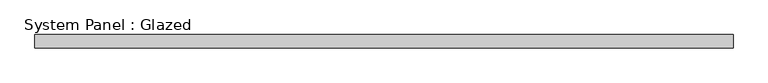
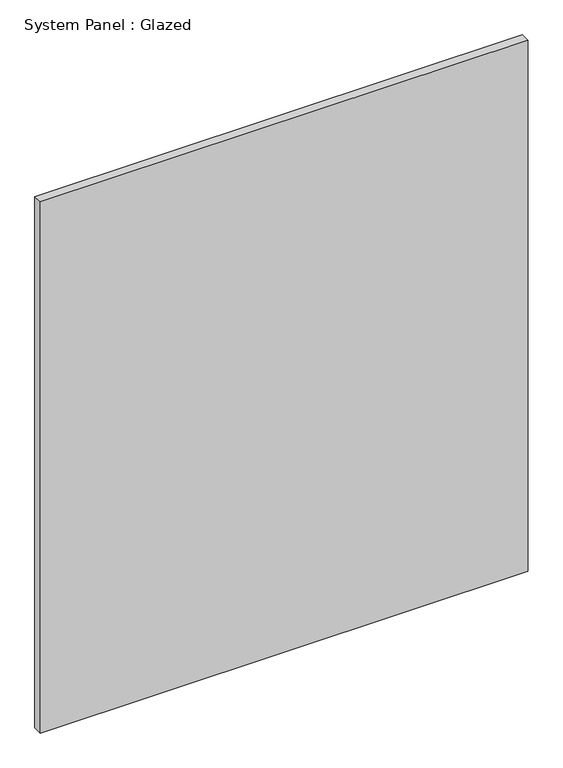
"""IFC4 building model written with IfcOpenShell, lengths in millimetres: plate geometry, System Panel : Glazed."""

from ifc_helpers import new_model, si_unit, origin, origin_with_axes, place, context, project, spatial, polyline, outline, extrude, source, transform, mapped, element, save


def system_panel_glazed_bfc76dcb(model_context):
    return source(origin(), model_context, "Body", "SweptSolid", [
        extrude(outline(polyline([(662.5, -49.5), (-662.5, -49.5), (-662.5, -24.5), (662.5, -24.5), (662.5, -49.5)])), origin_with_axes(), (0.0, 0.0, 1.0), 1525.0),
    ])


if __name__ == "__main__":
    model = new_model("IFC4")
    model_context = context("Model", 3, world=origin())
    ifc_project = project(units=[si_unit("LENGTHUNIT", "METRE", prefix="MILLI")], contexts=[model_context])
    site = spatial("IfcSite", under=ifc_project)
    building = spatial("IfcBuilding", under=site)
    placement = place(None, origin())
    system_panel_glazed_shape = system_panel_glazed_bfc76dcb(model_context)
    element("IfcPlate", 1, ObjectType="System Panel : Glazed", at=placement, inside=building, context=model_context, shape_type="MappedRepresentation", body=[
        mapped(system_panel_glazed_shape, transform((0.0, 0.0, 0.0), x_axis=(1.0, 0.0, 0.0), y_axis=(0.0, 1.0, 0.0), z_axis=(0.0, 0.0, 1.0))),
    ])
    save(model, "model.ifc")
